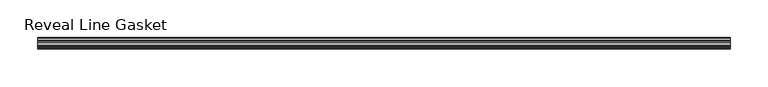
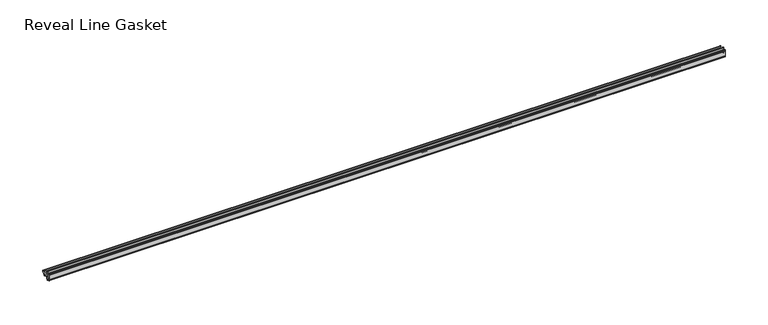
"""IFC4 building model written with IfcOpenShell, lengths in millimetres: furniture geometry, Reveal Line Gasket."""

from ifc_helpers import new_model, si_unit, point, frame, frame_2d, origin, place, context, project, spatial, polyline, circle_curve, trimmed, segment, composite_curve, outline, extrude, source, transform, mapped, element, save


def reveal_line_gasket_294d9cc8(model_context):
    return source(origin(), model_context, "Body", "SweptSolid", [
        extrude(outline(composite_curve([segment(polyline([(-7.6326998, 1603.2), (-7.4091917, 1604.1554927), (-6.8813059, 1605.0884684)]), True, "CONTINUOUS"), segment(trimmed(circle_curve(frame_2d((-6.5243141, 1604.8864793)), 0.4101739), [point((-6.8813059, 1605.0884684))], [point((-6.1246704, 1604.7941347))], False, "CARTESIAN"), True, "CONTINUOUS"), segment(polyline([(-6.1246704, 1604.7941347), (-6.3626997, 1603.0979086), (-6.3626997, 1601.0654527)]), True, "CONTINUOUS"), segment(trimmed(circle_curve(frame_2d((-5.6959605, 1601.4819258)), 0.786124), [point((-6.3626997, 1601.0654527))], [point((-5.0926996, 1600.977875))], True, "CARTESIAN"), True, "CONTINUOUS"), segment(polyline([(-5.0926996, 1600.977875), (-0.7492996, 1600.977875), (-3.7293824, 1606.1395295)]), True, "CONTINUOUS"), segment(trimmed(circle_curve(frame_2d((-3.3132479, 1606.2049761)), 0.4212495), [point((-3.7293824, 1606.1395295))], [point((-3.0485022, 1606.5326358))], False, "CARTESIAN"), True, "CONTINUOUS"), segment(polyline([(-3.0485022, 1606.5326358), (0.5742594, 1600.977875), (4.8262978, 1600.977875), (3.1660374, 1603.8535297)]), True, "CONTINUOUS"), segment(trimmed(circle_curve(frame_2d((3.5978728, 1603.9118855)), 0.4357605), [point((3.1660374, 1603.8535297))], [point((3.864328, 1604.2566881))], False, "CARTESIAN"), True, "CONTINUOUS"), segment(polyline([(3.864328, 1604.2566881), (6.1944059, 1600.977875), (7.6326998, 1600.977875), (7.6326998, 1599.422125), (6.1944059, 1599.422125), (3.864328, 1596.1433119)]), True, "CONTINUOUS"), segment(trimmed(circle_curve(frame_2d((3.5978728, 1596.4881145)), 0.4357605), [point((3.864328, 1596.1433119))], [point((3.1660374, 1596.5464703))], False, "CARTESIAN"), True, "CONTINUOUS"), segment(polyline([(3.1660374, 1596.5464703), (4.8262978, 1599.422125), (0.5742594, 1599.422125), (-3.0485022, 1593.8673642)]), True, "CONTINUOUS"), segment(trimmed(circle_curve(frame_2d((-3.3132479, 1594.1950239)), 0.4212495), [point((-3.0485022, 1593.8673642))], [point((-3.7293824, 1594.2604705))], False, "CARTESIAN"), True, "CONTINUOUS"), segment(polyline([(-3.7293824, 1594.2604705), (-0.7492996, 1599.422125), (-5.0926996, 1599.422125)]), True, "CONTINUOUS"), segment(trimmed(circle_curve(frame_2d((-5.6959605, 1598.9180742)), 0.786124), [point((-5.0926996, 1599.422125))], [point((-6.3626997, 1599.3345473))], True, "CARTESIAN"), True, "CONTINUOUS"), segment(polyline([(-6.3626997, 1599.3345473), (-6.3626997, 1597.3020914), (-6.1246704, 1595.6058653)]), True, "CONTINUOUS"), segment(trimmed(circle_curve(frame_2d((-6.5243141, 1595.5135207)), 0.4101739), [point((-6.1246704, 1595.6058653))], [point((-6.8813059, 1595.3115316))], False, "CARTESIAN"), True, "CONTINUOUS"), segment(polyline([(-6.8813059, 1595.3115316), (-7.4091917, 1596.2445073), (-7.6326998, 1597.2), (-7.6326998, 1603.2)]), True, "CONTINUOUS")], self_intersect=False)), frame((-458.4954, 0.0, 0.0), z_axis=(1.0, 0.0, 0.0), x_axis=(0.0, 1.0, 0.0)), (0.0, 0.0, 1.0), 916.9908),
    ])


if __name__ == "__main__":
    model = new_model("IFC4")
    model_context = context("Model", 3, world=origin())
    ifc_project = project(units=[si_unit("LENGTHUNIT", "METRE", prefix="MILLI")], contexts=[model_context])
    site = spatial("IfcSite", under=ifc_project)
    building = spatial("IfcBuilding", under=site)
    placement = place(None, origin())
    reveal_line_gasket_shape = reveal_line_gasket_294d9cc8(model_context)
    element("IfcFurniture", 1, ObjectType="Reveal Line Gasket", at=placement, inside=building, context=model_context, shape_type="MappedRepresentation", body=[
        mapped(reveal_line_gasket_shape, transform((0.0, 0.0, 0.0), x_axis=(1.0, 0.0, 0.0), y_axis=(0.0, 1.0, 0.0), z_axis=(0.0, 0.0, 1.0))),
    ])
    save(model, "model.ifc")
